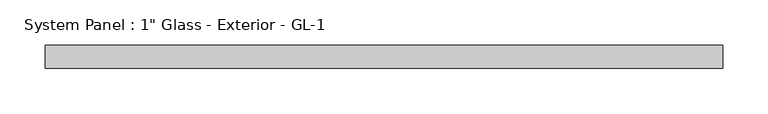
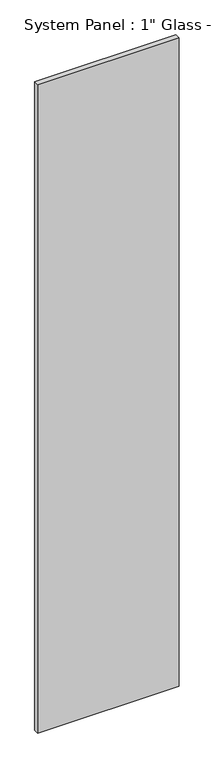
"""IFC4 building model written with IfcOpenShell, lengths in millimetres: plate geometry."""

from ifc_helpers import new_model, si_unit, origin, origin_with_axes, place, context, project, spatial, polyline, outline, extrude, source, transform, mapped, element, save


def plate_42350b1f(model_context):
    return source(origin(), model_context, "Body", "SweptSolid", [
        extrude(outline(polyline([(375.5074423, 12.7), (-375.5074423, 12.7), (-375.5074423, 38.1), (375.5074423, 38.1), (375.5074423, 12.7)])), origin_with_axes(), (0.0, 0.0, 1.0), 3638.55),
    ])


if __name__ == "__main__":
    model = new_model("IFC4")
    model_context = context("Model", 3, world=origin())
    ifc_project = project(units=[si_unit("LENGTHUNIT", "METRE", prefix="MILLI")], contexts=[model_context])
    site = spatial("IfcSite", under=ifc_project)
    building = spatial("IfcBuilding", under=site)
    placement = place(None, origin())
    plate_shape = plate_42350b1f(model_context)
    element("IfcPlate", 1, ObjectType="System Panel : 1\" Glass - Exterior - GL-1", at=placement, inside=building, context=model_context, shape_type="MappedRepresentation", body=[
        mapped(plate_shape, transform((0.0, 0.0, 0.0), x_axis=(1.0, 0.0, 0.0), y_axis=(0.0, 1.0, 0.0), z_axis=(0.0, 0.0, 1.0))),
    ])
    save(model, "model.ifc")
